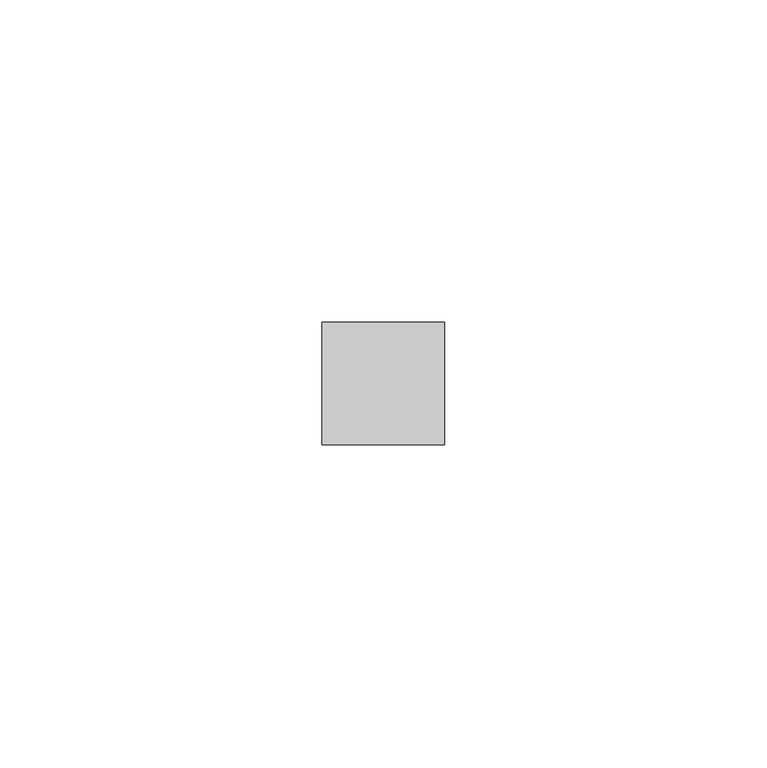
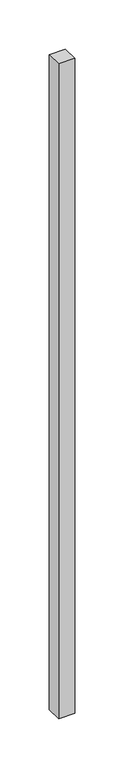
"""IFC4 building model written with IfcOpenShell, lengths in millimetres: railing geometry."""

from ifc_helpers import new_model, si_unit, frame, origin, place, context, project, spatial, polyline, outline, extrude, source, transform, mapped, element, save


def railing_c888d136(model_context):
    return source(origin(), model_context, "Body", "SweptSolid", [
        extrude(outline(polyline([(6783.4702321, 1289.2107473), (6802.5202321, 1289.2107473), (6802.5202321, 1270.1607473), (6783.4702321, 1270.1607473), (6783.4702321, 1289.2107473)])), frame((0.0, 0.0, 101.6), z_axis=(0.0, 0.0, 1.0), x_axis=(1.0, 0.0, 0.0)), (0.0, 0.0, 1.0), 812.8),
    ])


if __name__ == "__main__":
    model = new_model("IFC4")
    model_context = context("Model", 3, world=origin())
    ifc_project = project(units=[si_unit("LENGTHUNIT", "METRE", prefix="MILLI")], contexts=[model_context])
    site = spatial("IfcSite", under=ifc_project)
    building = spatial("IfcBuilding", under=site)
    placement = place(None, origin())
    railing_shape = railing_c888d136(model_context)
    element("IfcRailing", 1, at=placement, inside=building, context=model_context, shape_type="MappedRepresentation", body=[
        mapped(railing_shape, transform((0.0, 0.0, 0.0), x_axis=(1.0, 0.0, 0.0), y_axis=(0.0, 1.0, 0.0), z_axis=(0.0, 0.0, 1.0))),
    ])
    save(model, "model.ifc")
